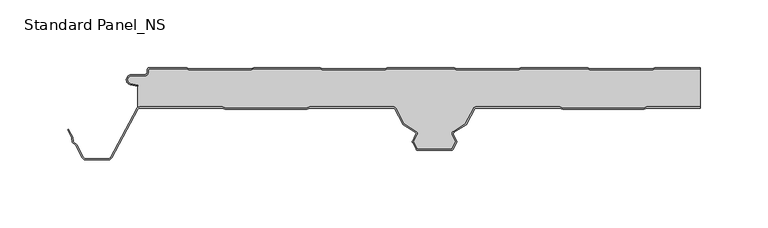
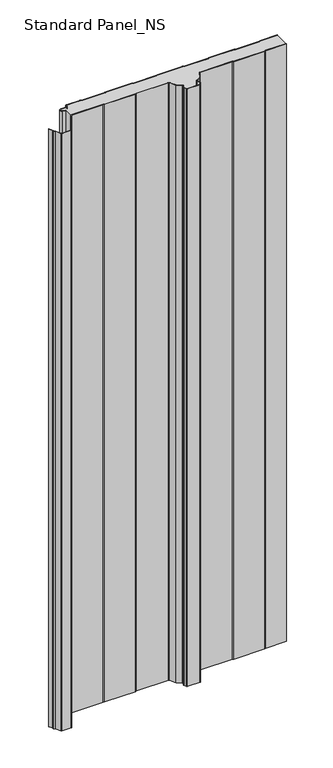
"""IFC4 building model written with IfcOpenShell, lengths in millimetres: proxy geometry, Standard Panel_NS."""

from ifc_helpers import new_model, si_unit, point, frame_2d, origin, origin_with_axes, place, context, project, spatial, polyline, circle_curve, trimmed, segment, composite_curve, outline, extrude, source, transform, mapped, element, save


def standard_panel_ns_64fd9d75(model_context):
    return source(origin(), model_context, "Body", "SweptSolid", [
        extrude(outline(composite_curve([segment(polyline([(189.9831604, 0.0), (223.9042607, 0.0), (223.9042607, -0.8), (190.1930584, -0.8), (188.4185569, -1.8), (141.9945958, -1.8), (140.262545, -0.8), (91.1930584, -0.8), (89.4185569, -1.8), (42.9945958, -1.8), (41.262545, -0.8), (-7.8087363, -0.8), (-9.5407871, -1.8), (-56.0054042, -1.8), (-57.737455, -0.786297), (-106.8069416, -0.786297), (-108.5814431, -1.786297), (-155.0054042, -1.786297), (-156.737455, -0.786297), (-183.7507504, -0.786297)]), True, "CONTINUOUS"), segment(trimmed(circle_curve(frame_2d((-183.7507504, -2.036297)), 1.25), [point((-183.7507504, -0.786297))], [point((-185.0007504, -2.036297))], True, "CARTESIAN"), True, "CONTINUOUS"), segment(polyline([(-185.0007504, -2.036297), (-185.0007504, -3.436297)]), True, "CONTINUOUS"), segment(trimmed(circle_curve(frame_2d((-187.7507504, -3.436297)), 2.75), [point((-185.0007504, -3.436297))], [point((-187.7507504, -6.186297))], False, "CARTESIAN"), True, "CONTINUOUS"), segment(polyline([(-187.7507504, -6.186297), (-197.5507504, -6.186297)]), True, "CONTINUOUS"), segment(trimmed(circle_curve(frame_2d((-197.5507504, -9.036297)), 2.85), [point((-197.5507504, -6.186297))], [point((-198.1918609, -11.8132517))], True, "CARTESIAN"), True, "CONTINUOUS"), segment(polyline([(-198.1918609, -11.8132517), (-192.7486452, -13.0699171), (-192.9286061, -13.8494131), (-198.3718217, -12.5927478)]), True, "CONTINUOUS"), segment(trimmed(circle_curve(frame_2d((-197.5507504, -9.036297)), 3.65), [point((-198.3718217, -12.5927478))], [point((-197.5507504, -5.386297))], False, "CARTESIAN"), True, "CONTINUOUS"), segment(polyline([(-197.5507504, -5.386297), (-187.7507504, -5.386297)]), True, "CONTINUOUS"), segment(trimmed(circle_curve(frame_2d((-187.7507504, -3.436297)), 1.95), [point((-187.7507504, -5.386297))], [point((-185.8007504, -3.436297))], True, "CARTESIAN"), True, "CONTINUOUS"), segment(polyline([(-185.8007504, -3.436297), (-185.8007504, -2.036297)]), True, "CONTINUOUS"), segment(trimmed(circle_curve(frame_2d((-183.7507504, -2.036297)), 2.05), [point((-185.8007504, -2.036297))], [point((-183.7507504, 0.013703))], False, "CARTESIAN"), True, "CONTINUOUS"), segment(polyline([(-183.7507504, 0.013703), (-156.5230957, 0.013703), (-154.7910449, -0.986297), (-108.7913411, -0.986297), (-107.0168396, 0.013703), (-57.5230957, 0.013703), (-55.7910449, -1.0), (-9.7551465, -1.0), (-8.0230957, 0.0), (41.4769043, 0.0), (43.2089551, -1.0), (89.2086589, -1.0), (90.9831604, 0.0), (140.4769043, 0.0), (142.2089551, -1.0), (188.2086589, -1.0), (189.9831604, 0.0)]), True, "CONTINUOUS")], self_intersect=False)), origin_with_axes(), (0.0, 0.0, 1.0), 1219.2),
        extrude(outline(composite_curve([segment(trimmed(circle_curve(frame_2d((-191.3607504, -31.75)), 1.75), [point((-191.3607504, -30.0))], [point((-192.9059087, -30.9284248))], True, "CARTESIAN"), True, "CONTINUOUS"), segment(polyline([(-192.9059087, -30.9284248), (-212.0091432, -66.8563836)]), True, "CONTINUOUS"), segment(trimmed(circle_curve(frame_2d((-214.5255439, -65.5183897)), 2.85), [point((-212.0091432, -66.8563836))], [point((-214.5255439, -68.3683897))], False, "CARTESIAN"), True, "CONTINUOUS"), segment(polyline([(-214.5255439, -68.3683897), (-231.2663514, -68.3683897)]), True, "CONTINUOUS"), segment(trimmed(circle_curve(frame_2d((-231.2663514, -65.5183897)), 2.85), [point((-231.2663514, -68.3683897))], [point((-233.782752, -66.8563836))], False, "CARTESIAN"), True, "CONTINUOUS"), segment(polyline([(-233.782752, -66.8563836), (-238.6671014, -57.6702585), (-241.084649, -55.3708693), (-241.6820111, -52.000038), (-244.7505404, -46.2289737), (-244.0441824, -45.8533964), (-240.9163332, -51.7360251), (-240.3428004, -54.9723908), (-238.0216911, -57.1800551), (-233.076394, -66.4808064)]), True, "CONTINUOUS"), segment(trimmed(circle_curve(frame_2d((-231.2663514, -65.5183897)), 2.05), [point((-233.076394, -66.4808064))], [point((-231.2663514, -67.5683897))], True, "CARTESIAN"), True, "CONTINUOUS"), segment(polyline([(-231.2663514, -67.5683897), (-214.5255439, -67.5683897)]), True, "CONTINUOUS"), segment(trimmed(circle_curve(frame_2d((-214.5255439, -65.5183897)), 2.05), [point((-214.5255439, -67.5683897))], [point((-212.7155013, -66.4808064))], True, "CARTESIAN"), True, "CONTINUOUS"), segment(polyline([(-212.7155013, -66.4808064), (-193.6122667, -30.5528475)]), True, "CONTINUOUS"), segment(trimmed(circle_curve(frame_2d((-191.3607504, -31.75)), 2.55), [point((-193.6122667, -30.5528475))], [point((-191.3607504, -29.2))], False, "CARTESIAN"), True, "CONTINUOUS"), segment(polyline([(-191.3607504, -29.2), (-130.0661789, -29.2), (-127.6845456, -30.1683897), (-67.8932049, -30.1683897), (-65.5115715, -29.2), (-3.3723047, -29.2)]), True, "CONTINUOUS"), segment(trimmed(circle_curve(frame_2d((-3.3750906, -30.9999978)), 1.8), [point((-3.3723047, -29.2))], [point((-1.7857934, -30.1549332))], False, "CARTESIAN"), True, "CONTINUOUS"), segment(polyline([(-1.7857934, -30.1549332), (4.3386275, -41.6730163), (13.3220194, -47.3606338)]), True, "CONTINUOUS"), segment(trimmed(circle_curve(frame_2d((12.3591509, -48.8814507)), 1.8), [point((13.3220194, -47.3606338))], [point((13.9681734, -49.6883253))], False, "CARTESIAN"), True, "CONTINUOUS"), segment(polyline([(13.9681734, -49.6883253), (11.3711036, -54.8672514), (14.3485893, -60.4669529), (39.8425575, -60.4669529), (42.8256576, -54.8564238), (40.2338477, -49.6882431)]), True, "CONTINUOUS"), segment(trimmed(circle_curve(frame_2d((41.8428542, -48.8813366)), 1.8), [point((40.2338477, -49.6882431))], [point((40.8799555, -47.3605387))], False, "CARTESIAN"), True, "CONTINUOUS"), segment(polyline([(40.8799555, -47.3605387), (49.8465774, -41.6832892), (55.9762236, -30.1548264)]), True, "CONTINUOUS"), segment(trimmed(circle_curve(frame_2d((57.5653038, -30.9997352)), 1.7997352), [point((55.9762236, -30.1548264))], [point((57.5653038, -29.2))], False, "CARTESIAN"), True, "CONTINUOUS"), segment(polyline([(57.5653038, -29.2), (119.7028683, -29.2), (122.0845088, -30.1683897), (181.8758496, -30.1683897), (184.2574895, -29.2), (223.9042607, -29.2), (223.9042607, -30.0), (184.4139138, -30.0), (182.032274, -30.9683897), (121.9280844, -30.9683897), (119.546444, -29.9999999), (57.5653038, -29.9999999)]), True, "CONTINUOUS"), segment(trimmed(circle_curve(frame_2d((57.5653038, -30.9997352)), 0.9997353), [point((57.5653038, -29.9999999))], [point((56.6825853, -30.5303966))], True, "CARTESIAN"), True, "CONTINUOUS"), segment(polyline([(56.6825853, -30.5303966), (50.4534972, -42.2458871), (41.3079104, -48.0364489)]), True, "CONTINUOUS"), segment(trimmed(circle_curve(frame_2d((41.8428542, -48.8813366)), 1.0), [point((41.3079104, -48.0364489))], [point((40.9489617, -49.329618))], True, "CARTESIAN"), True, "CONTINUOUS"), segment(polyline([(40.9489617, -49.329618), (43.4944639, -54.4054592)]), True, "CONTINUOUS"), segment(trimmed(circle_curve(frame_2d((42.6005714, -54.8537406)), 1.0), [point((43.4944639, -54.4054592))], [point((43.4835237, -55.3232034))], False, "CARTESIAN"), True, "CONTINUOUS"), segment(polyline([(43.4835237, -55.3232034), (40.7463788, -60.4711471)]), True, "CONTINUOUS"), segment(trimmed(circle_curve(frame_2d((39.4219504, -59.7669529)), 1.5), [point((40.7463788, -60.4711471))], [point((39.4219504, -61.2669529))], False, "CARTESIAN"), True, "CONTINUOUS"), segment(polyline([(39.4219504, -61.2669529), (14.7964212, -61.2669529)]), True, "CONTINUOUS"), segment(trimmed(circle_curve(frame_2d((14.7693172, -59.7671978)), 1.5), [point((14.7964212, -61.2669529))], [point((13.4449029, -60.4714183))], False, "CARTESIAN"), True, "CONTINUOUS"), segment(polyline([(13.4449029, -60.4714183), (10.7132468, -55.3340441)]), True, "CONTINUOUS"), segment(trimmed(circle_curve(frame_2d((11.5961897, -54.8645637)), 1.0), [point((10.7132468, -55.3340441))], [point((10.7022883, -54.4163001))], False, "CARTESIAN"), True, "CONTINUOUS"), segment(polyline([(10.7022883, -54.4163001), (13.2530523, -49.3297144)]), True, "CONTINUOUS"), segment(trimmed(circle_curve(frame_2d((12.3591509, -48.8814507)), 1.0), [point((13.2530523, -49.3297144))], [point((12.8940779, -48.0365524))], True, "CARTESIAN"), True, "CONTINUOUS"), segment(polyline([(12.8940779, -48.0365524), (3.7317189, -42.2356263), (-2.4921477, -30.5305175)]), True, "CONTINUOUS"), segment(trimmed(circle_curve(frame_2d((-3.3750906, -30.9999978)), 1.0), [point((-2.4921477, -30.5305175))], [point((-3.3730141, -30.0))], True, "CARTESIAN"), True, "CONTINUOUS"), segment(polyline([(-3.3730141, -30.0), (-65.3551468, -30.0), (-67.7367801, -30.9683897), (-127.8409703, -30.9683897), (-130.2226037, -30.0), (-191.3607504, -30.0)]), True, "CONTINUOUS")], self_intersect=False)), origin_with_axes(), (0.0, 0.0, 1.0), 1219.2),
        extrude(outline(composite_curve([segment(trimmed(circle_curve(frame_2d((-191.3607504, -31.75)), 2.55), [point((-191.3607504, -29.2))], [point((-192.7486452, -29.6107833))], True, "CARTESIAN"), True, "CONTINUOUS"), segment(polyline([(-192.7486452, -29.6107833), (-192.7486452, -13.0699171), (-198.1918609, -11.8132517)]), True, "CONTINUOUS"), segment(trimmed(circle_curve(frame_2d((-197.5507504, -9.036297)), 2.85), [point((-198.1918609, -11.8132517))], [point((-197.5507504, -6.186297))], False, "CARTESIAN"), True, "CONTINUOUS"), segment(polyline([(-197.5507504, -6.186297), (-187.7507504, -6.186297)]), True, "CONTINUOUS"), segment(trimmed(circle_curve(frame_2d((-187.7507504, -3.436297)), 2.75), [point((-187.7507504, -6.186297))], [point((-185.0007504, -3.436297))], True, "CARTESIAN"), True, "CONTINUOUS"), segment(polyline([(-185.0007504, -3.436297), (-185.0007504, -2.036297)]), True, "CONTINUOUS"), segment(trimmed(circle_curve(frame_2d((-183.7507504, -2.036297)), 1.25), [point((-185.0007504, -2.036297))], [point((-183.7507504, -0.786297))], False, "CARTESIAN"), True, "CONTINUOUS"), segment(polyline([(-183.7507504, -0.786297), (-156.737455, -0.786297), (-155.0054042, -1.786297), (-108.5814431, -1.786297), (-106.8069416, -0.786297), (-57.737455, -0.786297), (-56.0054042, -1.8), (-9.5407871, -1.8), (-7.8087363, -0.8), (41.262545, -0.8), (42.9945958, -1.8), (89.4185569, -1.8), (91.1930584, -0.8), (140.262545, -0.8), (141.9945958, -1.8), (188.4185569, -1.8), (190.1930584, -0.8), (223.9042607, -0.8), (223.9042607, -29.2), (184.2574895, -29.2), (181.8758496, -30.1683897), (122.0845088, -30.1683897), (119.7028683, -29.2), (57.5653038, -29.2)]), True, "CONTINUOUS"), segment(trimmed(circle_curve(frame_2d((57.5653038, -30.9997352)), 1.7997352), [point((57.5653038, -29.2))], [point((55.9762236, -30.1548264))], True, "CARTESIAN"), True, "CONTINUOUS"), segment(polyline([(55.9762236, -30.1548264), (49.8465774, -41.6832892), (40.8799555, -47.3605387)]), True, "CONTINUOUS"), segment(trimmed(circle_curve(frame_2d((41.8428542, -48.8813366)), 1.8), [point((40.8799555, -47.3605387))], [point((40.2338477, -49.6882431))], True, "CARTESIAN"), True, "CONTINUOUS"), segment(polyline([(40.2338477, -49.6882431), (42.8256576, -54.8564238), (39.8425575, -60.4669529), (14.3485893, -60.4669529), (11.3711036, -54.8672514), (13.9681734, -49.6883253)]), True, "CONTINUOUS"), segment(trimmed(circle_curve(frame_2d((12.3591509, -48.8814507)), 1.8), [point((13.9681734, -49.6883253))], [point((13.3220194, -47.3606338))], True, "CARTESIAN"), True, "CONTINUOUS"), segment(polyline([(13.3220194, -47.3606338), (4.3386275, -41.6730163), (-1.7857934, -30.1549332)]), True, "CONTINUOUS"), segment(trimmed(circle_curve(frame_2d((-3.3750906, -30.9999978)), 1.8), [point((-1.7857934, -30.1549332))], [point((-3.3723047, -29.2))], True, "CARTESIAN"), True, "CONTINUOUS"), segment(polyline([(-3.3723047, -29.2), (-65.5115715, -29.2), (-67.8932049, -30.1683897), (-127.6845456, -30.1683897), (-130.0661789, -29.2), (-191.3607504, -29.2)]), True, "CONTINUOUS")], self_intersect=False)), origin_with_axes(), (0.0, 0.0, 1.0), 1219.2),
    ])


if __name__ == "__main__":
    model = new_model("IFC4")
    model_context = context("Model", 3, world=origin())
    ifc_project = project(units=[si_unit("LENGTHUNIT", "METRE", prefix="MILLI")], contexts=[model_context])
    site = spatial("IfcSite", under=ifc_project)
    building = spatial("IfcBuilding", under=site)
    placement = place(None, origin())
    standard_panel_ns_shape = standard_panel_ns_64fd9d75(model_context)
    element("IfcBuildingElementProxy", 1, Name="Standard Panel_NS", ObjectType="Standard Panel_NS", at=placement, inside=building, context=model_context, shape_type="MappedRepresentation", body=[
        mapped(standard_panel_ns_shape, transform((0.0, 0.0, 0.0), x_axis=(1.0, 0.0, 0.0), y_axis=(0.0, 1.0, 0.0), z_axis=(0.0, 0.0, 1.0))),
    ])
    save(model, "model.ifc")
